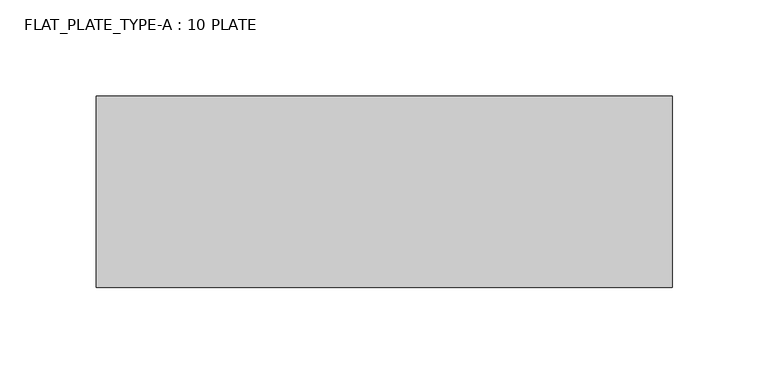
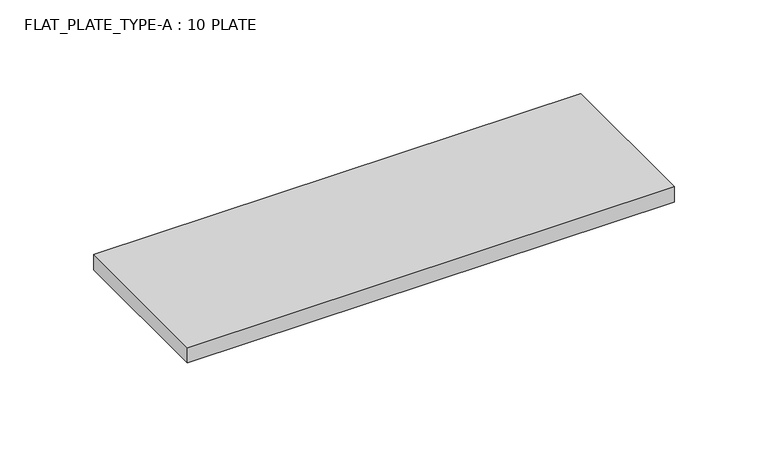
"""IFC4 building model written with IfcOpenShell, lengths in millimetres: fastener geometry, FLAT_PLATE_TYPE-A : 10 PLATE."""

from ifc_helpers import new_model, si_unit, origin, origin_with_axes, place, context, project, spatial, polyline, outline, extrude, source, transform, mapped, element, save


def flat_plate_type_a_10_plate_868e3e45(model_context):
    return source(origin(), model_context, "Body", "SweptSolid", [
        extrude(outline(polyline([(150.0, -50.0), (-150.0, -50.0), (-150.0, 50.0), (150.0, 50.0), (150.0, -50.0)])), origin_with_axes(), (0.0, 0.0, 1.0), 10.0),
    ])


if __name__ == "__main__":
    model = new_model("IFC4")
    model_context = context("Model", 3, world=origin())
    ifc_project = project(units=[si_unit("LENGTHUNIT", "METRE", prefix="MILLI")], contexts=[model_context])
    site = spatial("IfcSite", under=ifc_project)
    building = spatial("IfcBuilding", under=site)
    placement = place(None, origin())
    flat_plate_type_a_10_plate_shape = flat_plate_type_a_10_plate_868e3e45(model_context)
    element("IfcFastener", 1, ObjectType="FLAT_PLATE_TYPE-A : 10 PLATE", at=placement, inside=building, context=model_context, shape_type="MappedRepresentation", body=[
        mapped(flat_plate_type_a_10_plate_shape, transform((0.0, 0.0, 0.0), x_axis=(1.0, 0.0, 0.0), y_axis=(0.0, 1.0, 0.0), z_axis=(0.0, 0.0, 1.0))),
    ])
    save(model, "model.ifc")
